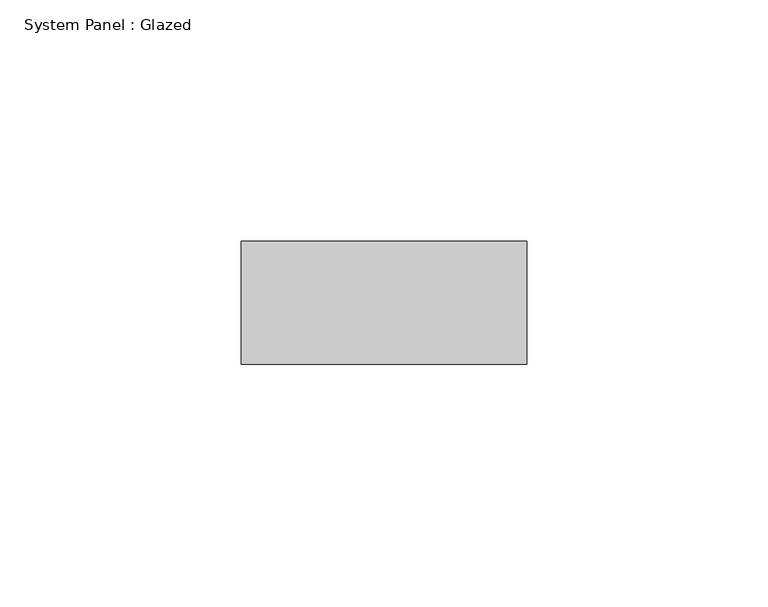
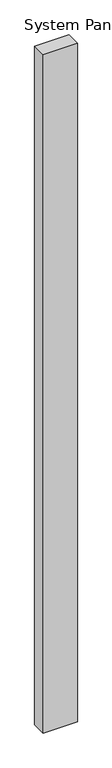
"""IFC4 building model written with IfcOpenShell, lengths in millimetres: plate geometry, System Panel : Glazed."""

from ifc_helpers import new_model, si_unit, origin, origin_with_axes, place, context, project, spatial, polyline, outline, extrude, source, transform, mapped, element, save


def system_panel_glazed_2ca8d9ef(model_context):
    return source(origin(), model_context, "Body", "SweptSolid", [
        extrude(outline(polyline([(29.525, 19.05), (-29.525, 19.05), (-29.525, 44.45), (29.525, 44.45), (29.525, 19.05)])), origin_with_axes(), (0.0, 0.0, 1.0), 1240.0),
    ])


if __name__ == "__main__":
    model = new_model("IFC4")
    model_context = context("Model", 3, world=origin())
    ifc_project = project(units=[si_unit("LENGTHUNIT", "METRE", prefix="MILLI")], contexts=[model_context])
    site = spatial("IfcSite", under=ifc_project)
    building = spatial("IfcBuilding", under=site)
    placement = place(None, origin())
    system_panel_glazed_shape = system_panel_glazed_2ca8d9ef(model_context)
    element("IfcPlate", 1, ObjectType="System Panel : Glazed", at=placement, inside=building, context=model_context, shape_type="MappedRepresentation", body=[
        mapped(system_panel_glazed_shape, transform((0.0, 0.0, 0.0), x_axis=(1.0, 0.0, 0.0), y_axis=(0.0, 1.0, 0.0), z_axis=(0.0, 0.0, 1.0))),
    ])
    save(model, "model.ifc")
